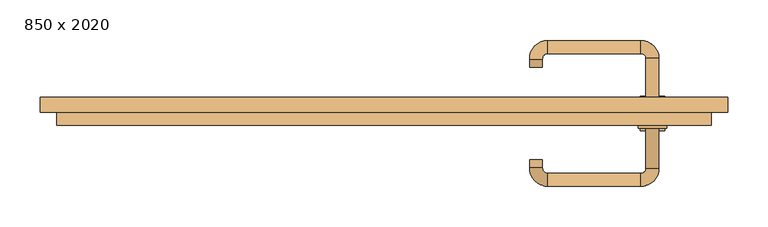
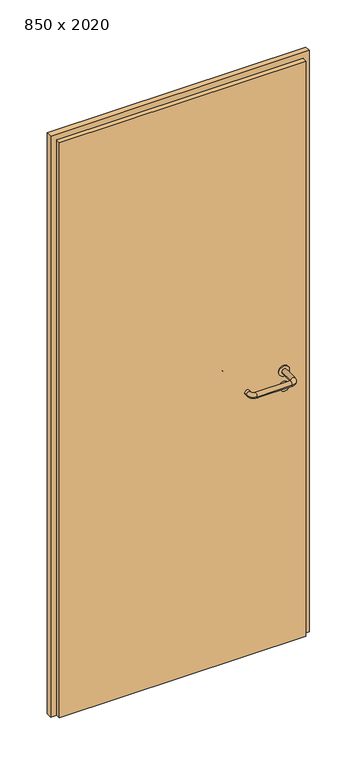
"""IFC4 building model written with IfcOpenShell, lengths in millimetres: door geometry, 850 x 2020."""

import ifcopenshell
import ifcopenshell.guid

model = None  # the IFC model being written
_history = None  # IfcOwnerHistory: only IFC2X3 demands one
_inside = {}  # id of a spatial element -> (the spatial element, [elements in it])
_under = {}  # id of a project, library or spatial element -> (it, [spatial elements below it])
_declared = {}  # id of a project -> (the project, [libraries it declares])
_typed = {}  # id of a type object -> (the type object, [elements of that type])
_made_of = {}  # id of a material, layer set ... -> (it, [elements and type objects made of it])


def new_model(schema):
    """Start an empty IFC model of exactly this schema.

    Asked for "IFC4X3", IfcOpenShell would pick the latest addendum, in which some entities
    have other attributes; the version numbers below select the first issue.
    IFC2X3 requires an IfcOwnerHistory on every rooted entity: one is made here for all.
    """
    global model, _history
    if schema == "IFC4X3":
        model = ifcopenshell.file(schema_version=(4, 3, 0, 0))
    else:
        model = ifcopenshell.file(schema=schema)
    _inside.clear()
    _under.clear()
    _declared.clear()
    _typed.clear()
    _made_of.clear()
    _history = None
    if model.schema == "IFC2X3":
        org = make("IfcOrganization", Name="unknown")
        user = make(
            "IfcPersonAndOrganization",
            ThePerson=make("IfcPerson", FamilyName="unknown"),
            TheOrganization=org,
        )
        app = make(
            "IfcApplication",
            ApplicationDeveloper=org,
            Version="unknown",
            ApplicationFullName="unknown",
            ApplicationIdentifier="unknown",
        )
        _history = make(
            "IfcOwnerHistory",
            OwningUser=user,
            OwningApplication=app,
            ChangeAction="ADDED",
            CreationDate=0,
        )
    return model


def make(cls, **values):
    """One entity of the class cls with the attributes given. An attribute that is None is left unset."""
    return model.create_entity(
        cls, **{name: value for name, value in values.items() if value is not None}
    )


def rooted(cls, **values):
    """An entity with a GlobalId (a new one), such as an element, a storey or a relation."""
    return make(cls, GlobalId=ifcopenshell.guid.new(), OwnerHistory=_history, **values)


def si_unit(unit_type, name, prefix=None):
    """IfcSIUnit, for example si_unit("LENGTHUNIT", "METRE", prefix="MILLI")."""
    return make("IfcSIUnit", UnitType=unit_type, Prefix=prefix, Name=name)


def assignment(units):
    """IfcUnitAssignment: the units of a project."""
    return None if units is None else make("IfcUnitAssignment", Units=units)


def point(xyz):
    """IfcCartesianPoint."""
    return None if xyz is None else make("IfcCartesianPoint", Coordinates=xyz)


def direction(xyz):
    """IfcDirection."""
    return None if xyz is None else make("IfcDirection", DirectionRatios=xyz)


def frame(location, z_axis=None, x_axis=None):
    """IfcAxis2Placement3D, a coordinate frame: its origin and axes. An axis left out is left unset."""
    return make(
        "IfcAxis2Placement3D",
        Location=point(location),
        Axis=direction(z_axis),
        RefDirection=direction(x_axis),
    )


def frame_2d(location, x_axis=None):
    """IfcAxis2Placement2D, a coordinate frame in the plane: its origin and x axis."""
    return make(
        "IfcAxis2Placement2D", Location=point(location), RefDirection=direction(x_axis)
    )


def origin():
    """The frame at (0, 0, 0) with its axes left unset."""
    return frame((0.0, 0.0, 0.0))


def origin_with_axes():
    """The frame at (0, 0, 0) with the z axis (0, 0, 1) and the x axis (1, 0, 0) written out."""
    return frame((0.0, 0.0, 0.0), z_axis=(0.0, 0.0, 1.0), x_axis=(1.0, 0.0, 0.0))


def place(relative_to, where):
    """IfcLocalPlacement: puts the frame where relative to a parent placement (None: the world)."""
    return make(
        "IfcLocalPlacement", PlacementRelTo=relative_to, RelativePlacement=where
    )


def context(
    kind, dimensions, precision=None, world=None, true_north=None, identifier=None
):
    """IfcGeometricRepresentationContext, for example the 3D "Model" context."""
    return make(
        "IfcGeometricRepresentationContext",
        ContextIdentifier=identifier,
        ContextType=kind,
        CoordinateSpaceDimension=dimensions,
        Precision=precision,
        WorldCoordinateSystem=world,
        TrueNorth=true_north,
    )


def project(units=None, contexts=None):
    """IfcProject with its units and contexts."""
    return rooted(
        "IfcProject",
        Name="project",
        RepresentationContexts=contexts,
        UnitsInContext=assignment(units),
    )


def spatial(cls, under=None, at=None, **own):
    """A site, building, storey or space (cls), placed at a placement, below another one or the project."""
    s = rooted(cls, ObjectPlacement=at, **own)
    if under is not None:
        _under.setdefault(under.id(), (under, []))[1].append(s)
    return s


def polyline(points):
    """IfcPolyline through the points."""
    return make("IfcPolyline", Points=[point(p) for p in points])


def circle_curve(where, radius):
    """IfcCircle in the frame where."""
    return make("IfcCircle", Position=where, Radius=radius)


def ellipse_curve(where, semi_axis1, semi_axis2):
    """IfcEllipse in the frame where."""
    return make(
        "IfcEllipse", Position=where, SemiAxis1=semi_axis1, SemiAxis2=semi_axis2
    )


def trimmed(basis, trim1, trim2, sense, master):
    """IfcTrimmedCurve: the piece of a basis curve between two trims."""
    return make(
        "IfcTrimmedCurve",
        BasisCurve=basis,
        Trim1=trim1,
        Trim2=trim2,
        SenseAgreement=sense,
        MasterRepresentation=master,
    )


def segment(curve, same_sense, transition):
    """IfcCompositeCurveSegment."""
    return make(
        "IfcCompositeCurveSegment",
        Transition=transition,
        SameSense=same_sense,
        ParentCurve=curve,
    )


def composite_curve(segments, self_intersect=None):
    """IfcCompositeCurve: segments joined end to end."""
    return make("IfcCompositeCurve", Segments=segments, SelfIntersect=self_intersect)


def outline(outer, holes=None, kind="AREA"):
    """IfcArbitraryClosedProfileDef: a profile drawn as a closed curve; with holes, ...WithVoids."""
    if holes is None:
        return make("IfcArbitraryClosedProfileDef", ProfileType=kind, OuterCurve=outer)
    return make(
        "IfcArbitraryProfileDefWithVoids",
        ProfileType=kind,
        OuterCurve=outer,
        InnerCurves=holes,
    )


def extrude(swept, where, along, depth):
    """IfcExtrudedAreaSolid: the profile swept, set in the frame where, extruded along a direction by depth."""
    return make(
        "IfcExtrudedAreaSolid",
        SweptArea=swept,
        Position=where,
        ExtrudedDirection=direction(along),
        Depth=depth,
    )


def shape(context_of_items, identifier, shape_type, items):
    """IfcShapeRepresentation: the items that make up one representation, for example the "Body"."""
    return make(
        "IfcShapeRepresentation",
        ContextOfItems=context_of_items,
        RepresentationIdentifier=identifier,
        RepresentationType=shape_type,
        Items=items,
    )


def source(mapping_origin, context_of_items, identifier, shape_type, items):
    """IfcRepresentationMap: a shape defined once, which mapped items show again and again."""
    return make(
        "IfcRepresentationMap",
        MappingOrigin=mapping_origin,
        MappedRepresentation=shape(context_of_items, identifier, shape_type, items),
    )


def transform(
    local_origin,
    x_axis=None,
    y_axis=None,
    z_axis=None,
    scale=None,
    scale2=None,
    scale3=None,
    uniform=True,
):
    """IfcCartesianTransformationOperator3D, or its non-uniform kind. x_axis, y_axis, z_axis: its Axis1, 2, 3."""
    if uniform:
        return make(
            "IfcCartesianTransformationOperator3D",
            Axis1=direction(x_axis),
            Axis2=direction(y_axis),
            LocalOrigin=point(local_origin),
            Scale=scale,
            Axis3=direction(z_axis),
        )
    return make(
        "IfcCartesianTransformationOperator3DnonUniform",
        Axis1=direction(x_axis),
        Axis2=direction(y_axis),
        LocalOrigin=point(local_origin),
        Scale=scale,
        Axis3=direction(z_axis),
        Scale2=scale2,
        Scale3=scale3,
    )


def mapped(mapping_source, mapping_target):
    """IfcMappedItem: shows the shape of a source again, moved by a transform."""
    return make(
        "IfcMappedItem", MappingSource=mapping_source, MappingTarget=mapping_target
    )


def made_of(thing, what):
    """Note that an element or type object is made of a material, layer set ...; save() writes the relation."""
    if what is not None:
        _made_of.setdefault(what.id(), (what, []))[1].append(thing)
    return thing


def element(
    cls,
    number,
    at=None,
    inside=None,
    cuts=None,
    type_object=None,
    material=None,
    context=None,
    identifier="Body",
    shape_type=None,
    held_by="IfcProductDefinitionShape",
    body=None,
    shapes=None,
    **own,
):
    """One element of the class cls, such as IfcWall. Its Tag is "e" and its number.

    at: its placement. inside: the storey or other place that contains it. cuts: it is an
    opening in that element (IfcRelVoidsElement). A single representation is given by context,
    identifier, shape_type and body (its items); several are given by shapes. held_by: the class
    of the entity that holds the representations. save() writes the other relations.
    """
    e = rooted(cls, Tag="e%d" % number, ObjectPlacement=at, **own)
    if body is not None:
        shapes = [shape(context, identifier, shape_type, body)]
    if shapes is not None:
        e.Representation = make(held_by, Representations=shapes)
    if inside is not None:
        _inside.setdefault(inside.id(), (inside, []))[1].append(e)
    if cuts is not None:
        rooted(
            "IfcRelVoidsElement", RelatingBuildingElement=cuts, RelatedOpeningElement=e
        )
    if type_object is not None:
        _typed.setdefault(type_object.id(), (type_object, []))[1].append(e)
    return made_of(e, material)


def aggregate(whole, parts):
    """IfcRelAggregates: a whole, such as a stair, and the parts it consists of."""
    return rooted("IfcRelAggregates", RelatingObject=whole, RelatedObjects=parts)


def save(model, path):
    """Write the relations noted so far, then the file.

    IfcRelAggregates (storeys below a building ...), IfcRelContainedInSpatialStructure (elements
    in a storey), IfcRelDefinesByType, IfcRelAssociatesMaterial and IfcRelDeclares: one each for
    every whole, place, type object, material and project.
    """
    for whole, parts in _under.values():
        aggregate(whole, parts)
    for where, things in _inside.values():
        rooted(
            "IfcRelContainedInSpatialStructure",
            RelatedElements=things,
            RelatingStructure=where,
        )
    for kind, things in _typed.values():
        rooted("IfcRelDefinesByType", RelatedObjects=things, RelatingType=kind)
    for what, things in _made_of.values():
        rooted("IfcRelAssociatesMaterial", RelatedObjects=things, RelatingMaterial=what)
    for by, libraries in _declared.values():
        rooted("IfcRelDeclares", RelatingContext=by, RelatedDefinitions=libraries)
    model.write(path)


def plane_surface(at):
    """IfcPlane: the flat surface through the origin of the frame at, square to its z axis."""
    return make("IfcPlane", Position=at)


def cylinder_surface(at, radius):
    """IfcCylindricalSurface: all points at the distance radius from the z axis of the frame at."""
    return make("IfcCylindricalSurface", Position=at, Radius=radius)


def revolved_surface(curve, axis_point, axis_direction):
    """IfcSurfaceOfRevolution: the curve turned about the line through axis_point along axis_direction."""
    return make(
        "IfcSurfaceOfRevolution",
        SweptCurve=make("IfcArbitraryOpenProfileDef", ProfileType="CURVE", Curve=curve),
        AxisPosition=make("IfcAxis1Placement", Location=point(axis_point), Axis=direction(axis_direction)),
    )


def advanced_brep(points, edges, surfaces, faces):
    """IfcAdvancedBrep: a solid bounded by faces that lie on surfaces and meet in shared edges.

    An edge is (start, end): straight between two places in points (the first is 0);
    or (start, end, curve); or (start, end, curve, False) where it runs against its curve.
    A face is (place in surfaces, loops), or (place, loops, False) where it looks against
    its surface's normal. A loop lists edges by number (the first is 1), with a minus sign
    where the edge is run from its end to its start. The first loop is the outer one.
    """
    corners = [point(p) for p in points]
    vertices = [make("IfcVertexPoint", VertexGeometry=c) for c in corners]
    made = []
    for start, end, *more in edges:
        made.append(
            make(
                "IfcEdgeCurve",
                EdgeStart=vertices[start],
                EdgeEnd=vertices[end],
                EdgeGeometry=more[0] if more else make("IfcPolyline", Points=[corners[start], corners[end]]),
                SameSense=more[1] if len(more) > 1 else True,
            )
        )
    hull = []
    for where, loops, *sense in faces:
        bounds = []
        for j, loop in enumerate(loops):
            ring = [make("IfcOrientedEdge", EdgeElement=made[abs(k) - 1], Orientation=k > 0) for k in loop]
            bounds.append(
                make(
                    "IfcFaceOuterBound" if j == 0 else "IfcFaceBound",
                    Bound=make("IfcEdgeLoop", EdgeList=ring),
                    Orientation=True,
                )
            )
        hull.append(make("IfcAdvancedFace", Bounds=bounds, FaceSurface=surfaces[where], SameSense=sense[0] if sense else True))
    return make("IfcAdvancedBrep", Outer=make("IfcClosedShell", CfsFaces=hull))


def door_850_x_2020_7eb1fb9b(model_context):
    return source(origin(), model_context, "Body", "SolidModel", [
        extrude(outline(composite_curve([segment(trimmed(circle_curve(frame_2d((897.3605726, 332.0)), 15.0), [point((897.3605726, 347.0))], [point((897.3605726, 317.0))], False, "CARTESIAN"), True, "CONTINUOUS"), segment(trimmed(circle_curve(frame_2d((897.3605726, 332.0)), 15.0), [point((897.3605726, 317.0))], [point((897.3605726, 347.0))], False, "CARTESIAN"), True, "CONTINUOUS")], self_intersect=False), holes=[composite_curve([segment(trimmed(circle_curve(frame_2d((892.5833211, 331.9398032)), 2.0), [point((892.5833211, 333.9398032))], [point((892.5833211, 329.9398032))], True, "CARTESIAN"), True, "CONTINUOUS"), segment(polyline([(892.5833211, 329.9398032), (902.5833211, 329.9398032)]), True, "CONTINUOUS"), segment(trimmed(circle_curve(frame_2d((902.5833211, 331.9398032)), 2.0), [point((902.5833211, 329.9398032))], [point((902.5833211, 333.9398032))], True, "CARTESIAN"), True, "CONTINUOUS"), segment(polyline([(902.5833211, 333.9398032), (892.5833211, 333.9398032)]), True, "CONTINUOUS")], self_intersect=False)]), frame((0.0, -31.35, 0.0), z_axis=(0.0, 1.0, 0.0), x_axis=(0.0, 0.0, 1.0)), (0.0, 0.0, 1.0), 6.35),
        extrude(outline(composite_curve([segment(trimmed(circle_curve(frame_2d((950.0, 332.0)), 17.526), [point((950.0, 349.526))], [point((950.0, 314.474))], False, "CARTESIAN"), True, "CONTINUOUS"), segment(trimmed(circle_curve(frame_2d((950.0, 332.0)), 17.526), [point((950.0, 314.474))], [point((950.0, 349.526))], False, "CARTESIAN"), True, "CONTINUOUS")], self_intersect=False)), frame((0.0, -28.175, 0.0), z_axis=(0.0, 1.0, 0.0), x_axis=(0.0, 0.0, 1.0)), (0.0, 0.0, 1.0), 3.175),
        advanced_brep(
        [(340.0, -25.0, 950.0), (324.0, -25.0, 950.0), (324.0, -78.0, 950.0), (340.0, -78.0, 950.0), (317.8578644, -84.1421356, 950.0), (317.8578644, -100.1421356, 950.0), (202.8578644, -84.1421356, 950.0), (202.8578644, -100.1421356, 950.0), (196.008622, -77.2928932, 950.0), (180.008622, -77.2928932, 950.0), (180.008622, -67.2928932, 950.0), (196.008622, -67.2928932, 950.0)],
        [
            (0, 1, circle_curve(frame((332.0, -25.0, 950.0), z_axis=(0.0, 1.0, 0.0), x_axis=(-1.0, 0.0, 0.0)), 8.0)),
            (1, 0, circle_curve(frame((332.0, -25.0, 950.0), z_axis=(0.0, 1.0, 0.0), x_axis=(-1.0, 0.0, 0.0)), 8.0)),
            (1, 2),
            (2, 3, circle_curve(frame((332.0, -78.0, 950.0), z_axis=(0.0, 1.0, 0.0), x_axis=(-1.0, 0.0, 0.0)), 8.0)),
            (3, 0),
            (3, 2, circle_curve(frame((332.0, -78.0, 950.0), z_axis=(0.0, 1.0, 0.0), x_axis=(-1.0, 0.0, 0.0)), 8.0)),
            (4, 5, circle_curve(frame((317.8578644, -92.1421356, 950.0), z_axis=(1.0, 0.0, 0.0), x_axis=(0.0, 1.0, 0.0)), 8.0)),
            (5, 3, circle_curve(frame((317.8578644, -78.0, 950.0), z_axis=(0.0, 0.0, 1.0), x_axis=(1.0, 0.0, 0.0)), 22.1421356)),
            (2, 4, circle_curve(frame((317.8578644, -78.0, 950.0), z_axis=(0.0, 0.0, -1.0), x_axis=(1.0, 0.0, 0.0)), 6.1421356)),
            (5, 4, circle_curve(frame((317.8578644, -92.1421356, 950.0), z_axis=(1.0, 0.0, 0.0), x_axis=(0.0, 1.0, 0.0)), 8.0)),
            (4, 6),
            (6, 7, circle_curve(frame((202.8578644, -92.1421356, 950.0), z_axis=(1.0, 0.0, 0.0), x_axis=(0.0, 1.0, 0.0)), 8.0)),
            (7, 5),
            (7, 6, circle_curve(frame((202.8578644, -92.1421356, 950.0), z_axis=(1.0, 0.0, 0.0), x_axis=(0.0, 1.0, 0.0)), 8.0)),
            (8, 9, circle_curve(frame((188.008622, -77.2928932, 950.0), z_axis=(0.0, -1.0, 0.0), x_axis=(1.0, 0.0, 0.0)), 8.0)),
            (9, 7, circle_curve(frame((202.8578644, -77.2928932, 950.0), z_axis=(0.0, 0.0, 1.0), x_axis=(0.0, -1.0, 0.0)), 22.8492424)),
            (6, 8, circle_curve(frame((202.8578644, -77.2928932, 950.0), z_axis=(0.0, 0.0, -1.0), x_axis=(0.0, -1.0, 0.0)), 6.8492424)),
            (9, 8, circle_curve(frame((188.008622, -77.2928932, 950.0), z_axis=(0.0, -1.0, 0.0), x_axis=(1.0, 0.0, 0.0)), 8.0)),
            (10, 11, circle_curve(frame((188.008622, -67.2928932, 950.0), z_axis=(0.0, 1.0, 0.0), x_axis=(1.0, 0.0, 0.0)), 8.0)),
            (11, 10, circle_curve(frame((188.008622, -67.2928932, 950.0), z_axis=(0.0, 1.0, 0.0), x_axis=(1.0, 0.0, 0.0)), 8.0)),
            (8, 11),
            (10, 9),
        ],
        [
            plane_surface(frame((332.0, -25.0, 0.0), z_axis=(0.0, 1.0, 0.0), x_axis=(0.0, 0.0, 1.0))),
            cylinder_surface(frame((332.0, -25.0, 950.0), z_axis=(0.0, 1.0, 0.0), x_axis=(-1.0, 0.0, 0.0)), 8.0),
            revolved_surface(trimmed(ellipse_curve(frame((332.0, -78.0, 950.0), z_axis=(0.0, -1.0, 0.0), x_axis=(-1.0, 0.0, 0.0)), 8.0, 8.0), [point((340.0, -78.0, 950.0))], [point((324.0, -78.0, 950.0))], True, "CARTESIAN"), (317.8578644, -78.0, 0.0), (0.0, 0.0, 1.0)),
            revolved_surface(trimmed(ellipse_curve(frame((332.0, -78.0, 950.0), z_axis=(0.0, -1.0, 0.0), x_axis=(-1.0, 0.0, 0.0)), 8.0, 8.0), [point((324.0, -78.0, 950.0))], [point((340.0, -78.0, 950.0))], True, "CARTESIAN"), (317.8578644, -78.0, 0.0), (0.0, 0.0, 1.0)),
            cylinder_surface(frame((317.8578644, -92.1421356, 950.0), z_axis=(1.0, 0.0, 0.0), x_axis=(0.0, 1.0, 0.0)), 8.0),
            revolved_surface(trimmed(ellipse_curve(frame((202.8578644, -92.1421356, 950.0), z_axis=(-1.0, 0.0, 0.0), x_axis=(0.0, 1.0, 0.0)), 8.0, 8.0), [point((202.8578644, -100.1421356, 950.0))], [point((202.8578644, -84.1421356, 950.0))], True, "CARTESIAN"), (202.8578644, -77.2928932, 0.0), (0.0, 0.0, 1.0)),
            revolved_surface(trimmed(ellipse_curve(frame((202.8578644, -92.1421356, 950.0), z_axis=(-1.0, 0.0, 0.0), x_axis=(0.0, 1.0, 0.0)), 8.0, 8.0), [point((202.8578644, -84.1421356, 950.0))], [point((202.8578644, -100.1421356, 950.0))], True, "CARTESIAN"), (202.8578644, -77.2928932, 0.0), (0.0, 0.0, 1.0)),
            plane_surface(frame((188.008622, -67.2928932, 0.0), z_axis=(0.0, 1.0, 0.0), x_axis=(0.0, 0.0, 1.0))),
            cylinder_surface(frame((188.008622, -77.2928932, 950.0), z_axis=(0.0, -1.0, 0.0), x_axis=(1.0, 0.0, 0.0)), 8.0),
        ],
        [
            (0, [[1, 2]]),
            (1, [[3, 4, 5, -2]]),
            (1, [[-5, 6, -3, -1]]),
            (2, [[7, 8, -4, 9]]),
            (3, [[10, -9, -6, -8]]),
            (4, [[11, 12, 13, -7]]),
            (4, [[-13, 14, -11, -10]]),
            (5, [[15, 16, -12, 17]]),
            (6, [[18, -17, -14, -16]]),
            (7, [[19, 20]]),
            (8, [[21, -19, 22, -15]]),
            (8, [[-22, -20, -21, -18]]),
        ],
    ),
        extrude(outline(composite_curve([segment(trimmed(circle_curve(frame_2d((0.0, -15.0)), 15.0), [point((0.0, -30.0))], [point((0.0, 0.0))], False, "CARTESIAN"), True, "CONTINUOUS"), segment(trimmed(circle_curve(frame_2d((0.0, -15.0)), 15.0), [point((0.0, 0.0))], [point((0.0, -30.0))], False, "CARTESIAN"), True, "CONTINUOUS")], self_intersect=False), holes=[composite_curve([segment(trimmed(circle_curve(frame_2d((4.7772515, -14.9398032)), 2.0), [point((4.7772515, -16.9398032))], [point((4.7772515, -12.9398032))], True, "CARTESIAN"), True, "CONTINUOUS"), segment(polyline([(4.7772515, -12.9398032), (-5.2227485, -12.9398032)]), True, "CONTINUOUS"), segment(trimmed(circle_curve(frame_2d((-5.2227485, -14.9398032)), 2.0), [point((-5.2227485, -12.9398032))], [point((-5.2227485, -16.9398032))], True, "CARTESIAN"), True, "CONTINUOUS"), segment(polyline([(-5.2227485, -16.9398032), (4.7772515, -16.9398032)]), True, "CONTINUOUS")], self_intersect=False)]), frame((317.0, 5.0, 897.3605726), z_axis=(1.8870575173328306e-12, 1.0, 0.0), x_axis=(0.0, 0.0, -1.0)), (0.0, 0.0, 1.0), 6.35),
        extrude(outline(composite_curve([segment(trimmed(circle_curve(frame_2d((0.0, -17.526)), 17.526), [point((0.0, -35.052))], [point((0.0, 0.0))], False, "CARTESIAN"), True, "CONTINUOUS"), segment(trimmed(circle_curve(frame_2d((0.0, -17.526)), 17.526), [point((0.0, 0.0))], [point((0.0, -35.052))], False, "CARTESIAN"), True, "CONTINUOUS")], self_intersect=False)), frame((314.474, 5.0, 950.0), z_axis=(1.8870575173328306e-12, 1.0, 0.0), x_axis=(0.0, 0.0, -1.0)), (0.0, 0.0, 1.0), 3.175),
        advanced_brep(
        [(340.0, 5.0, 950.0), (324.0, 5.0, 950.0), (340.0, 58.0, 950.0), (324.0, 58.0, 950.0), (317.8578644, 64.1421356, 950.0), (317.8578644, 80.1421356, 950.0), (202.8578644, 80.1421356, 950.0), (202.8578644, 64.1421356, 950.0), (196.008622, 57.2928932, 950.0), (180.008622, 57.2928932, 950.0), (180.008622, 47.2928932, 950.0), (196.008622, 47.2928932, 950.0)],
        [
            (0, 1, circle_curve(frame((332.0, 5.0, 950.0), z_axis=(-1.888672253512351e-12, -1.0, 0.0), x_axis=(-1.0, 1.888672253512351e-12, 0.0)), 8.0)),
            (1, 0, circle_curve(frame((332.0, 5.0, 950.0), z_axis=(-1.888672253512351e-12, -1.0, 0.0), x_axis=(-1.0, 1.888672253512351e-12, 0.0)), 8.0)),
            (0, 2),
            (2, 3, circle_curve(frame((332.0, 58.0, 950.0), z_axis=(-1.888672253512351e-12, -1.0, 0.0), x_axis=(-1.0, 1.888672253512351e-12, 0.0)), 8.0)),
            (3, 1),
            (3, 2, circle_curve(frame((332.0, 58.0, 950.0), z_axis=(-1.888672253512351e-12, -1.0, 0.0), x_axis=(-1.0, 1.888672253512351e-12, 0.0)), 8.0)),
            (4, 3, circle_curve(frame((317.8578644, 58.0, 950.0), z_axis=(0.0, 0.0, -1.0), x_axis=(1.0, -1.880717803715015e-12, 0.0)), 6.1421356)),
            (2, 5, circle_curve(frame((317.8578644, 58.0, 950.0), z_axis=(0.0, 0.0, 1.0), x_axis=(1.0, -1.880717803715015e-12, 0.0)), 22.1421356)),
            (5, 4, circle_curve(frame((317.8578644, 72.1421356, 950.0), z_axis=(1.0, -1.913702061528922e-12, 0.0), x_axis=(-1.913702061528922e-12, -1.0, 0.0)), 8.0)),
            (4, 5, circle_curve(frame((317.8578644, 72.1421356, 950.0), z_axis=(1.0, -1.913702061528922e-12, 0.0), x_axis=(-1.913702061528922e-12, -1.0, 0.0)), 8.0)),
            (5, 6),
            (6, 7, circle_curve(frame((202.8578644, 72.1421356, 950.0), z_axis=(1.0, -1.913719828541269e-12, 0.0), x_axis=(-1.913719828541269e-12, -1.0, 0.0)), 8.0)),
            (7, 4),
            (7, 6, circle_curve(frame((202.8578644, 72.1421356, 950.0), z_axis=(1.0, -1.913719828541269e-12, 0.0), x_axis=(-1.913719828541269e-12, -1.0, 0.0)), 8.0)),
            (8, 7, circle_curve(frame((202.8578644, 57.2928932, 950.0), z_axis=(0.0, 0.0, -1.0), x_axis=(1.9120873253494017e-12, 1.0, 0.0)), 6.8492424)),
            (6, 9, circle_curve(frame((202.8578644, 57.2928932, 950.0), z_axis=(0.0, 0.0, 1.0), x_axis=(1.9120873253494017e-12, 1.0, 0.0)), 22.8492424)),
            (9, 8, circle_curve(frame((188.008622, 57.2928932, 950.0), z_axis=(1.890448610351751e-12, 1.0, 0.0), x_axis=(1.0, -1.890448610351751e-12, 0.0)), 8.0)),
            (8, 9, circle_curve(frame((188.008622, 57.2928932, 950.0), z_axis=(1.8888942981172756e-12, 1.0, 0.0), x_axis=(1.0, -1.8888942981172756e-12, 0.0)), 8.0)),
            (10, 11, circle_curve(frame((188.008622, 47.2928932, 950.0), z_axis=(-1.8903642334018795e-12, -1.0, 0.0), x_axis=(1.0, -1.8903642334018795e-12, 0.0)), 8.0)),
            (11, 10, circle_curve(frame((188.008622, 47.2928932, 950.0), z_axis=(-1.8903642334018795e-12, -1.0, 0.0), x_axis=(1.0, -1.8903642334018795e-12, 0.0)), 8.0)),
            (9, 10),
            (11, 8),
        ],
        [
            plane_surface(frame((332.0, 5.0, 0.0), z_axis=(-1.8870575173328306e-12, -1.0, 0.0), x_axis=(0.0, 0.0, 1.0))),
            cylinder_surface(frame((332.0, 5.0, 950.0), z_axis=(-1.888672253512351e-12, -1.0, 0.0), x_axis=(-1.0, 1.888672253512351e-12, 0.0)), 8.0),
            revolved_surface(trimmed(ellipse_curve(frame((332.0, 58.0, 950.0), z_axis=(-1.8823325398945356e-12, -1.0, 0.0), x_axis=(-1.0, 1.8823325398945356e-12, 0.0)), 8.0, 8.0), [point((340.0, 58.0, 950.0))], [point((324.0, 58.0, 950.0))], True, "CARTESIAN"), (317.8578644, 58.0, 0.0), (0.0, 0.0, 1.0)),
            revolved_surface(trimmed(ellipse_curve(frame((332.0, 58.0, 950.0), z_axis=(-1.8823325398945356e-12, -1.0, 0.0), x_axis=(-1.0, 1.8823325398945356e-12, 0.0)), 8.0, 8.0), [point((324.0, 58.0, 950.0))], [point((340.0, 58.0, 950.0))], True, "CARTESIAN"), (317.8578644, 58.0, 0.0), (0.0, 0.0, 1.0)),
            cylinder_surface(frame((317.8578644, 72.1421356, 950.0), z_axis=(1.0, -1.913719828541269e-12, 0.0), x_axis=(-1.913719828541269e-12, -1.0, 0.0)), 8.0),
            revolved_surface(trimmed(ellipse_curve(frame((202.8578644, 72.1421356, 950.0), z_axis=(1.0, -1.913702061528922e-12, 0.0), x_axis=(-1.913702061528922e-12, -1.0, 0.0)), 8.0, 8.0), [point((202.8578644, 80.1421356, 950.0))], [point((202.8578644, 64.1421356, 950.0))], True, "CARTESIAN"), (202.8578644, 57.2928932, 0.0), (0.0, 0.0, 1.0)),
            revolved_surface(trimmed(ellipse_curve(frame((202.8578644, 72.1421356, 950.0), z_axis=(1.0, -1.913702061528922e-12, 0.0), x_axis=(-1.913702061528922e-12, -1.0, 0.0)), 8.0, 8.0), [point((202.8578644, 64.1421356, 950.0))], [point((202.8578644, 80.1421356, 950.0))], True, "CARTESIAN"), (202.8578644, 57.2928932, 0.0), (0.0, 0.0, 1.0)),
            plane_surface(frame((188.008622, 47.2928932, 0.0), z_axis=(-1.8887494972223595e-12, -1.0, 0.0), x_axis=(0.0, 0.0, 1.0))),
            cylinder_surface(frame((188.008622, 57.2928932, 950.0), z_axis=(1.8903642334018795e-12, 1.0, 0.0), x_axis=(1.0, -1.8903642334018795e-12, 0.0)), 8.0),
        ],
        [
            (0, [[1, 2]]),
            (1, [[-1, 3, 4, 5]]),
            (1, [[-2, -5, 6, -3]]),
            (2, [[7, -4, 8, 9]]),
            (3, [[-8, -6, -7, 10]]),
            (4, [[-9, 11, 12, 13]]),
            (4, [[-10, -13, 14, -11]]),
            (5, [[15, -12, 16, 17]]),
            (6, [[-16, -14, -15, 18]]),
            (7, [[19, 20]]),
            (8, [[-17, 21, -20, 22]]),
            (8, [[-18, -22, -19, -21]]),
        ],
    ),
        extrude(outline(polyline([(2000.0, 405.0), (0.0, 405.0), (0.0, 425.0), (2020.0, 425.0), (2020.0, -425.0), (0.0, -425.0), (0.0, -405.0), (2000.0, -405.0), (2000.0, 405.0)])), frame((0.0, -9.0, 0.0), z_axis=(0.0, 1.0, 0.0), x_axis=(0.0, 0.0, 1.0)), (0.0, 0.0, 1.0), 19.0),
        extrude(outline(polyline([(-405.0, 5.0), (405.0, 5.0), (405.0, -25.0), (-405.0, -25.0), (-405.0, 5.0)])), origin_with_axes(), (0.0, 0.0, 1.0), 2000.0),
    ])


if __name__ == "__main__":
    model = new_model("IFC4")
    model_context = context("Model", 3, world=origin())
    ifc_project = project(units=[si_unit("LENGTHUNIT", "METRE", prefix="MILLI")], contexts=[model_context])
    site = spatial("IfcSite", under=ifc_project)
    building = spatial("IfcBuilding", under=site)
    placement = place(None, origin())
    door_850_x_2020_shape = door_850_x_2020_7eb1fb9b(model_context)
    element("IfcDoor", 1, ObjectType="850 x 2020", at=placement, inside=building, context=model_context, shape_type="MappedRepresentation", body=[
        mapped(door_850_x_2020_shape, transform((0.0, 0.0, 0.0), x_axis=(1.0, 0.0, 0.0), y_axis=(0.0, 1.0, 0.0), z_axis=(0.0, 0.0, 1.0))),
    ])
    save(model, "model.ifc")
